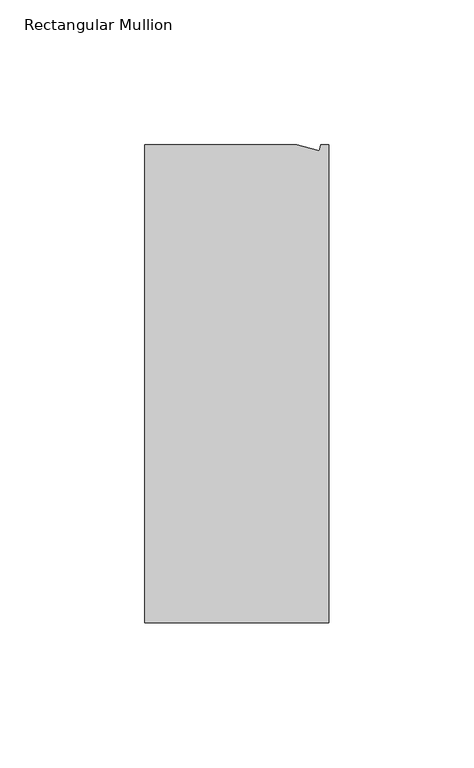
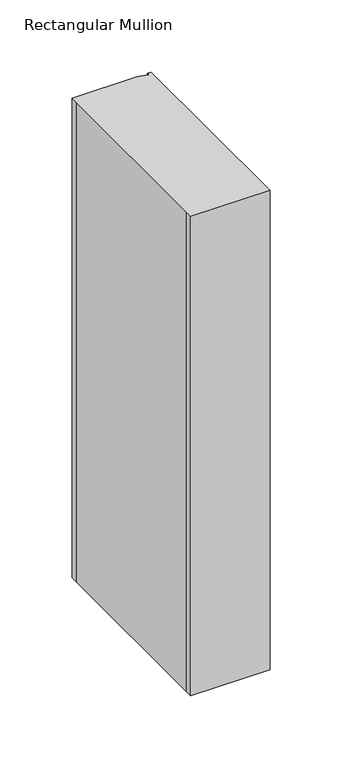
"""IFC4 building model written with IfcOpenShell, lengths in millimetres: member geometry, Rectangular Mullion."""

from ifc_helpers import new_model, si_unit, origin, place, context, project, spatial, faceted_brep, source, transform, mapped, element, save


def rectangular_mullion_cf623a3b(model_context):
    return source(origin(), model_context, "Body", "Brep", [
        faceted_brep([(0.0, -132.5561012, 0.0), (0.0, 32.5438988, 0.0), (-2.7630634, 32.5438988, 0.0), (-3.3223696, 30.4565397, 0.0), (-11.1125, 32.5438988, 0.0), (-63.5076469, 32.5438988, 0.0), (-63.5076469, 26.1938988, 0.0), (-63.5, -126.2061012, 0.0), (-63.5076469, -132.5561012, 0.0), (0.0, -132.5561012, -406.4), (-63.5076469, -132.5561012, -406.4), (-63.5076469, -126.2061012, -406.4), (-63.5, 26.1938988, -406.4), (-63.5076469, 32.5438988, -406.4), (-11.1125, 32.5438988, -406.4), (-3.3223696, 30.4565397, -406.4), (-2.7630634, 32.5438988, -406.4), (0.0, 32.5438988, -406.4)], [[[0, 1, 2, 3, 4, 5, 6, 7, 8]], [[9, 10, 11, 12, 13, 14, 15, 16, 17]], [[1, 0, 9, 17]], [[2, 1, 17, 16]], [[3, 2, 16, 15]], [[4, 3, 15, 14]], [[5, 4, 14, 13]], [[7, 6, 12, 11]], [[0, 8, 10, 9]], [[6, 5, 13, 12]], [[8, 7, 11, 10]]]),
    ])


if __name__ == "__main__":
    model = new_model("IFC4")
    model_context = context("Model", 3, world=origin())
    ifc_project = project(units=[si_unit("LENGTHUNIT", "METRE", prefix="MILLI")], contexts=[model_context])
    site = spatial("IfcSite", under=ifc_project)
    building = spatial("IfcBuilding", under=site)
    placement = place(None, origin())
    rectangular_mullion_shape = rectangular_mullion_cf623a3b(model_context)
    element("IfcMember", 1, ObjectType="Rectangular Mullion", at=placement, inside=building, context=model_context, shape_type="MappedRepresentation", body=[
        mapped(rectangular_mullion_shape, transform((0.0, 0.0, 0.0), x_axis=(1.0, 0.0, 0.0), y_axis=(0.0, 1.0, 0.0), z_axis=(0.0, 0.0, 1.0))),
    ])
    save(model, "model.ifc")
